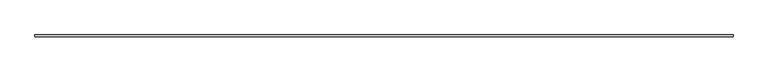
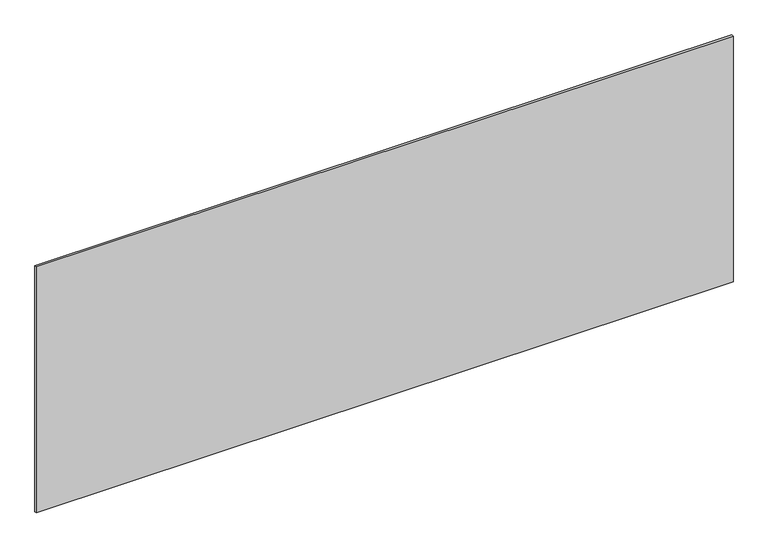
"""IFC4 building model written with IfcOpenShell, lengths in millimetres: plate geometry."""

from ifc_helpers import new_model, si_unit, origin, origin_with_axes, place, context, project, spatial, polyline, outline, extrude, source, transform, mapped, element, save


def plate_564f5455(model_context):
    return source(origin(), model_context, "Body", "SweptSolid", [
        extrude(outline(polyline([(1715.0, -5.0), (-1715.0, -5.0), (-1715.0, 5.0), (1715.0, 5.0), (1715.0, -5.0)])), origin_with_axes(), (0.0, 0.0, 1.0), 1279.125426),
    ])


if __name__ == "__main__":
    model = new_model("IFC4")
    model_context = context("Model", 3, world=origin())
    ifc_project = project(units=[si_unit("LENGTHUNIT", "METRE", prefix="MILLI")], contexts=[model_context])
    site = spatial("IfcSite", under=ifc_project)
    building = spatial("IfcBuilding", under=site)
    placement = place(None, origin())
    plate_shape = plate_564f5455(model_context)
    element("IfcPlate", 1, at=placement, inside=building, context=model_context, shape_type="MappedRepresentation", body=[
        mapped(plate_shape, transform((0.0, 0.0, 0.0), x_axis=(1.0, 0.0, 0.0), y_axis=(0.0, 1.0, 0.0), z_axis=(0.0, 0.0, 1.0))),
    ])
    save(model, "model.ifc")
